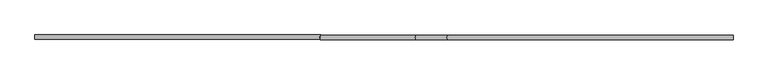
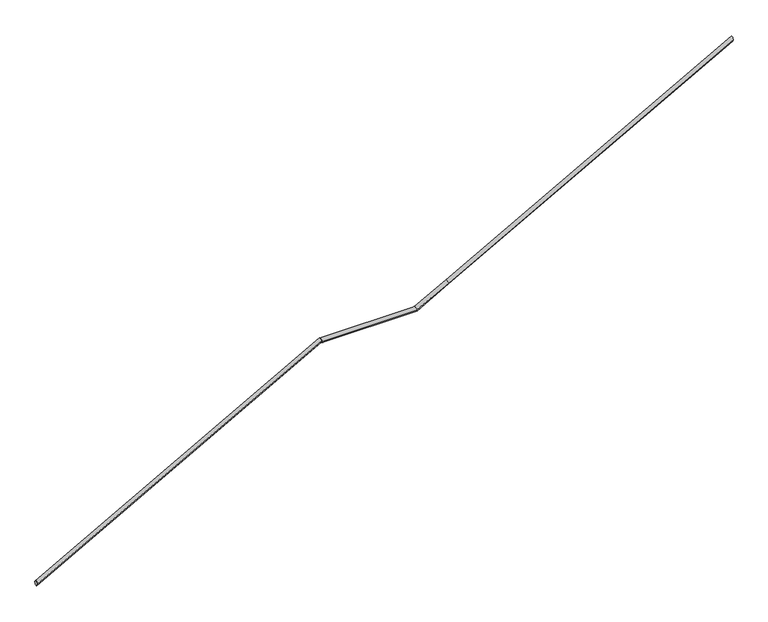
"""IFC4 building model written with IfcOpenShell, lengths in millimetres: railing geometry."""

from ifc_helpers import new_model, si_unit, frame, origin, place, context, project, spatial, circle_curve, ellipse_curve, source, transform, mapped, element, save
from ifc_brep_helpers import plane_surface, cylinder_surface, advanced_brep


def railing_594884a4(model_context):
    return source(origin(), model_context, "Body", "AdvancedBrep", [
        advanced_brep(
        [(-10239.1430247, -40590.9403344, -8660.7639987), (-10239.1430247, -40550.9403344, -8660.7639987), (-7539.1430247, -40590.9403344, -7164.0336835), (-7539.1430247, -40550.9403344, -7164.0336835)],
        [
            (0, 1, ellipse_curve(frame((-10239.1430247, -40570.9403344, -8660.7639987), z_axis=(-1.0, 0.0, 0.0), x_axis=(0.0, 0.0, -0.9999999999999999)), 22.8674257, 20.0)),
            (1, 0, ellipse_curve(frame((-10239.1430247, -40570.9403344, -8660.7639987), z_axis=(-1.0, 0.0, 0.0), x_axis=(0.0, 0.0, -0.9999999999999999)), 22.8674257, 20.0)),
            (2, 3, ellipse_curve(frame((-7539.1430247, -40570.9403344, -7164.0336835), z_axis=(0.9681442397406855, 0.0, 0.2503931529753359), x_axis=(0.25039315297533593, 0.0, -0.9681442397406855)), 20.6580788, 20.0)),
            (3, 2, ellipse_curve(frame((-7539.1430247, -40570.9403344, -7164.0336835), z_axis=(0.9681442397406855, 0.0, 0.2503931529753359), x_axis=(0.25039315297533593, 0.0, -0.9681442397406855)), 20.6580788, 20.0)),
            (0, 2),
            (3, 1),
        ],
        [
            plane_surface(frame((-10239.1430247, -40570.9403344, -8660.7639987), z_axis=(-1.0, 0.0, 0.0), x_axis=(0.0, 1.0, 0.0))),
            plane_surface(frame((-7539.1430247, -40570.9403344, -7164.0336835), z_axis=(0.9681442397406855, 0.0, 0.2503931529753359), x_axis=(0.2503931529753359, 0.0, -0.9681442397406855))),
            cylinder_surface(frame((-10239.1430247, -40570.9403344, -8660.7639987), z_axis=(-0.8746065378861401, 0.0, -0.48483337744715943), x_axis=(0.0, 1.0, 0.0)), 20.0),
        ],
        [
            (0, [[1, 2]]),
            (1, [[3, 4]]),
            (2, [[-1, 5, -4, 6]]),
            (2, [[-2, -6, -3, -5]]),
        ],
    ),
        advanced_brep(
        [(-7539.1430247, -40595.0222804, -7164.0336835), (-7539.1430247, -40555.0222804, -7164.0336835), (-6639.1430247, -40595.0222804, -7164.0336835), (-6639.1430247, -40555.0222804, -7164.0336835), (-6339.1430247, -40595.0222804, -6997.7303152), (-6339.1430247, -40555.0222804, -6997.7303152), (-3639.1430247, -40595.0222804, -5501.0), (-3639.1430247, -40555.0222804, -5501.0)],
        [
            (0, 1, ellipse_curve(frame((-7539.1430247, -40575.0222804, -7164.0336835), z_axis=(-0.9681442397406855, 0.0, -0.2503931529753359), x_axis=(-0.25039315297533593, 0.0, 0.9681442397406855)), 20.6580788, 20.0)),
            (1, 0, ellipse_curve(frame((-7539.1430247, -40575.0222804, -7164.0336835), z_axis=(-0.9681442397406855, 0.0, -0.2503931529753359), x_axis=(-0.25039315297533593, 0.0, 0.9681442397406855)), 20.6580788, 20.0)),
            (0, 2),
            (2, 3, ellipse_curve(frame((-6639.1430247, -40575.0222804, -7164.0336835), z_axis=(-0.9681442397406855, 0.0, -0.25039315297533565), x_axis=(-0.25039315297533615, 0.0, 0.9681442397406856)), 20.6580788, 20.0)),
            (3, 1),
            (3, 2, ellipse_curve(frame((-6639.1430247, -40575.0222804, -7164.0336835), z_axis=(-0.9681442397406855, 0.0, -0.25039315297533565), x_axis=(-0.25039315297533615, 0.0, 0.9681442397406856)), 20.6580788, 20.0)),
            (2, 4),
            (4, 5, circle_curve(frame((-6339.1430247, -40575.0222804, -6997.7303152), z_axis=(-0.8746065378861403, 0.0, -0.4848333774471591), x_axis=(0.0, 1.0, 0.0)), 20.0)),
            (5, 3),
            (5, 4, circle_curve(frame((-6339.1430247, -40575.0222804, -6997.7303152), z_axis=(-0.8746065378861403, 0.0, -0.4848333774471591), x_axis=(0.0, 1.0, 0.0)), 20.0)),
            (6, 7, ellipse_curve(frame((-3639.1430247, -40575.0222804, -5501.0), z_axis=(1.0, 0.0, 0.0), x_axis=(0.0, 0.0, -0.9999999999999999)), 22.8674257, 20.0)),
            (7, 6, ellipse_curve(frame((-3639.1430247, -40575.0222804, -5501.0), z_axis=(1.0, 0.0, 0.0), x_axis=(0.0, 0.0, -0.9999999999999999)), 22.8674257, 20.0)),
            (4, 6),
            (7, 5),
        ],
        [
            plane_surface(frame((-7539.1430247, -40575.0222804, -7164.0336835), z_axis=(-0.9681442397406855, 0.0, -0.2503931529753359), x_axis=(0.2503931529753359, 0.0, -0.9681442397406855))),
            cylinder_surface(frame((-7539.1430247, -40575.0222804, -7164.0336835), z_axis=(-1.0, 0.0, 0.0), x_axis=(0.0, 1.0, 0.0)), 20.0),
            cylinder_surface(frame((-6639.1430247, -40575.0222804, -7164.0336835), z_axis=(-0.8746065378861403, 0.0, -0.4848333774471591), x_axis=(0.0, 1.0, 0.0)), 20.0),
            plane_surface(frame((-3639.1430247, -40575.0222804, -5501.0), z_axis=(1.0, 0.0, 0.0), x_axis=(0.0, 1.0, 0.0))),
            cylinder_surface(frame((-6339.1430247, -40575.0222804, -6997.7303152), z_axis=(-0.8746065378861401, 0.0, -0.48483337744715965), x_axis=(0.0, 1.0, 0.0)), 20.0),
        ],
        [
            (0, [[1, 2]]),
            (1, [[-1, 3, 4, 5]]),
            (1, [[-2, -5, 6, -3]]),
            (2, [[-4, 7, 8, 9]]),
            (2, [[-6, -9, 10, -7]]),
            (3, [[11, 12]]),
            (4, [[-8, 13, -12, 14]]),
            (4, [[-10, -14, -11, -13]]),
        ],
    ),
    ])


if __name__ == "__main__":
    model = new_model("IFC4")
    model_context = context("Model", 3, world=origin())
    ifc_project = project(units=[si_unit("LENGTHUNIT", "METRE", prefix="MILLI")], contexts=[model_context])
    site = spatial("IfcSite", under=ifc_project)
    building = spatial("IfcBuilding", under=site)
    placement = place(None, origin())
    railing_shape = railing_594884a4(model_context)
    element("IfcRailing", 1, at=placement, inside=building, context=model_context, shape_type="MappedRepresentation", body=[
        mapped(railing_shape, transform((0.0, 0.0, 0.0), x_axis=(1.0, 0.0, 0.0), y_axis=(0.0, 1.0, 0.0), z_axis=(0.0, 0.0, 1.0))),
    ])
    save(model, "model.ifc")
